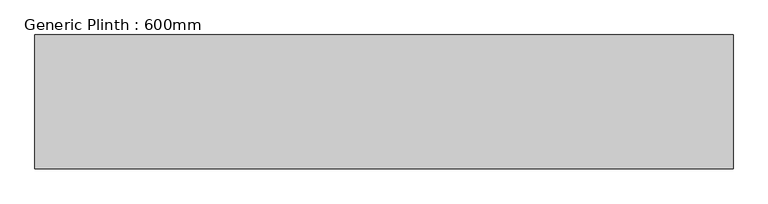
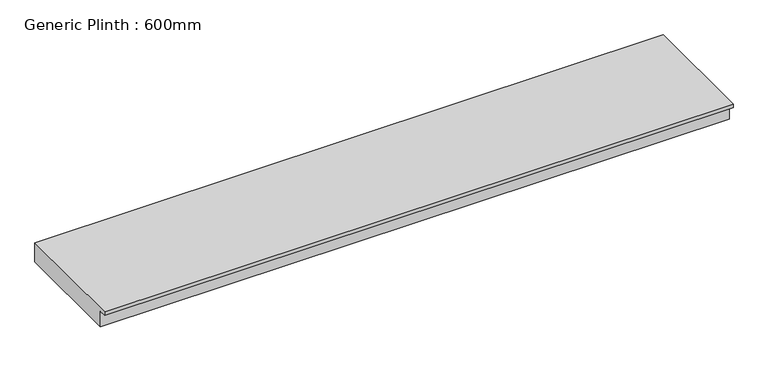
"""IFC4 building model written with IfcOpenShell, lengths in millimetres: furniture geometry, Generic Plinth : 600mm."""

from ifc_helpers import new_model, si_unit, frame, origin, place, context, project, spatial, polyline, outline, extrude, source, transform, mapped, element, save


def generic_plinth_600mm_e672f97f(model_context):
    return source(origin(), model_context, "Body", "SweptSolid", [
        extrude(outline(polyline([(-600.0, 81.0), (-600.0, 100.0), (0.0, 100.0), (0.0, 0.0), (-565.0, 0.0), (-565.0, 81.0), (-600.0, 81.0)])), frame((-1545.6622951, 0.0, 0.0), z_axis=(1.0, 0.0, 0.0), x_axis=(0.0, 1.0, 0.0)), (0.0, 0.0, 1.0), 3128.8),
    ])


if __name__ == "__main__":
    model = new_model("IFC4")
    model_context = context("Model", 3, world=origin())
    ifc_project = project(units=[si_unit("LENGTHUNIT", "METRE", prefix="MILLI")], contexts=[model_context])
    site = spatial("IfcSite", under=ifc_project)
    building = spatial("IfcBuilding", under=site)
    placement = place(None, origin())
    generic_plinth_600mm_shape = generic_plinth_600mm_e672f97f(model_context)
    element("IfcFurniture", 1, ObjectType="Generic Plinth : 600mm", at=placement, inside=building, context=model_context, shape_type="MappedRepresentation", body=[
        mapped(generic_plinth_600mm_shape, transform((0.0, 0.0, 0.0), x_axis=(1.0, 0.0, 0.0), y_axis=(0.0, 1.0, 0.0), z_axis=(0.0, 0.0, 1.0))),
    ])
    save(model, "model.ifc")
